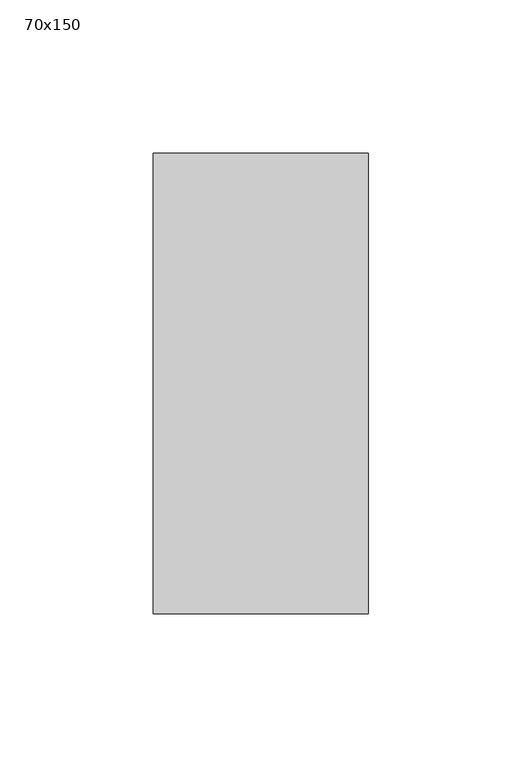
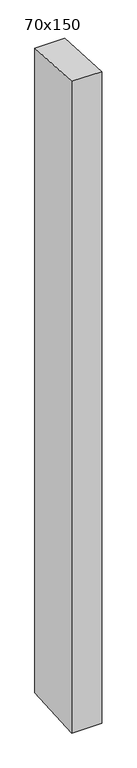
"""IFC4 building model written with IfcOpenShell, lengths in millimetres: member geometry, 70x150."""

from ifc_helpers import new_model, si_unit, frame, origin, place, context, project, spatial, polyline, outline, extrude, source, transform, mapped, element, save


def member_70x150_7ae0af08(model_context):
    return source(origin(), model_context, "Body", "SweptSolid", [
        extrude(outline(polyline([(-75.0, 4.0523049), (75.0, -4.0523049), (75.0, -1603.1976309), (-75.0, -1612.6928166), (-75.0, 4.0523049)])), frame((-70.0, 0.0, 0.0), z_axis=(1.0, 0.0, 0.0), x_axis=(0.0, 1.0, 0.0)), (0.0, 0.0, 1.0), 70.0),
    ])


if __name__ == "__main__":
    model = new_model("IFC4")
    model_context = context("Model", 3, world=origin())
    ifc_project = project(units=[si_unit("LENGTHUNIT", "METRE", prefix="MILLI")], contexts=[model_context])
    site = spatial("IfcSite", under=ifc_project)
    building = spatial("IfcBuilding", under=site)
    placement = place(None, origin())
    member_70x150_shape = member_70x150_7ae0af08(model_context)
    element("IfcMember", 1, ObjectType="70x150", at=placement, inside=building, context=model_context, shape_type="MappedRepresentation", body=[
        mapped(member_70x150_shape, transform((0.0, 0.0, 0.0), x_axis=(1.0, 0.0, 0.0), y_axis=(0.0, 1.0, 0.0), z_axis=(0.0, 0.0, 1.0))),
    ])
    save(model, "model.ifc")
